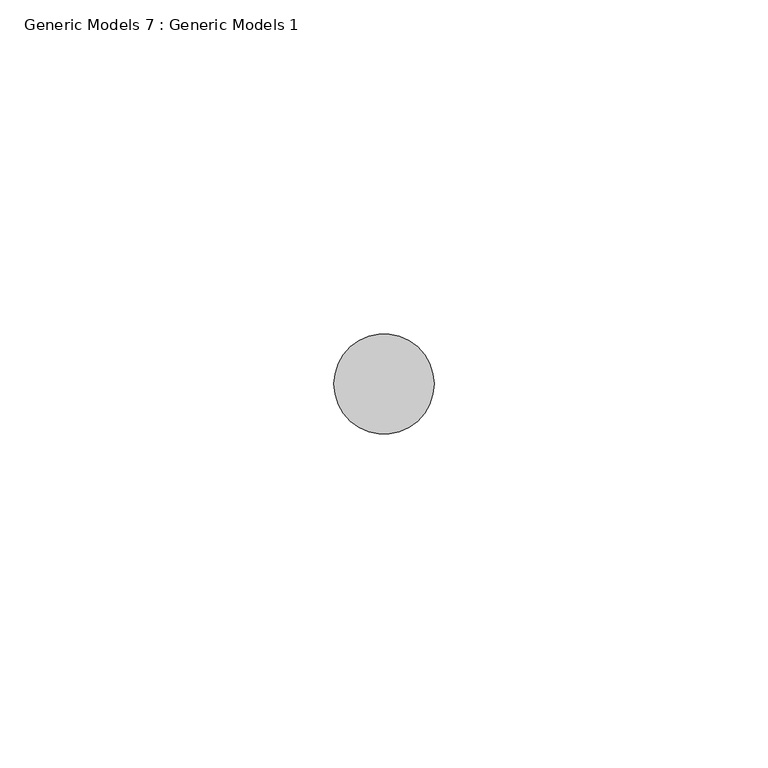
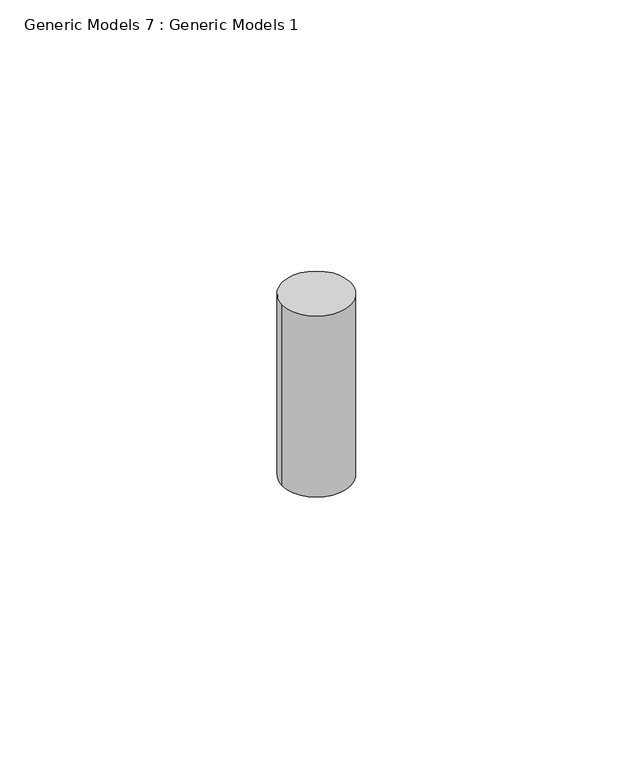
"""IFC4 building model written with IfcOpenShell, lengths in millimetres: proxy geometry, Generic Models 7 : Generic Models 1."""

from ifc_helpers import new_model, si_unit, point, frame, frame_2d, origin, place, context, project, spatial, circle_curve, trimmed, segment, composite_curve, outline, extrude, source, transform, mapped, element, save


def generic_models_7_generic_models_1_6cafd8aa(model_context):
    return source(origin(), model_context, "Body", "SweptSolid", [
        extrude(outline(composite_curve([segment(trimmed(circle_curve(frame_2d((3389.2582576, 400.3057469)), 7.5), [point((3396.7582576, 400.3057469))], [point((3381.7582576, 400.3057469))], False, "CARTESIAN"), True, "CONTINUOUS"), segment(trimmed(circle_curve(frame_2d((3389.2582576, 400.3057469)), 7.5), [point((3381.7582576, 400.3057469))], [point((3396.7582576, 400.3057469))], False, "CARTESIAN"), True, "CONTINUOUS")], self_intersect=False)), frame((0.0, 0.0, -826.6691196), z_axis=(0.0, 0.0, 1.0), x_axis=(1.0, 0.0, 0.0)), (0.0, 0.0, 1.0), 42.0000012),
    ])


if __name__ == "__main__":
    model = new_model("IFC4")
    model_context = context("Model", 3, world=origin())
    ifc_project = project(units=[si_unit("LENGTHUNIT", "METRE", prefix="MILLI")], contexts=[model_context])
    site = spatial("IfcSite", under=ifc_project)
    building = spatial("IfcBuilding", under=site)
    placement = place(None, origin())
    generic_models_7_generic_models_1_shape = generic_models_7_generic_models_1_6cafd8aa(model_context)
    element("IfcBuildingElementProxy", 1, Name="Generic Models 7 : Generic Models 1", ObjectType="Generic Models 7 : Generic Models 1", at=placement, inside=building, context=model_context, shape_type="MappedRepresentation", body=[
        mapped(generic_models_7_generic_models_1_shape, transform((0.0, 0.0, 0.0), x_axis=(1.0, 0.0, 0.0), y_axis=(0.0, 1.0, 0.0), z_axis=(0.0, 0.0, 1.0))),
    ])
    save(model, "model.ifc")
